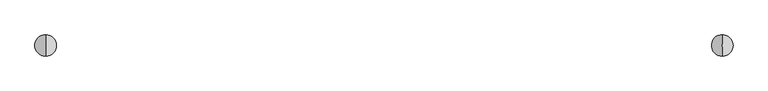
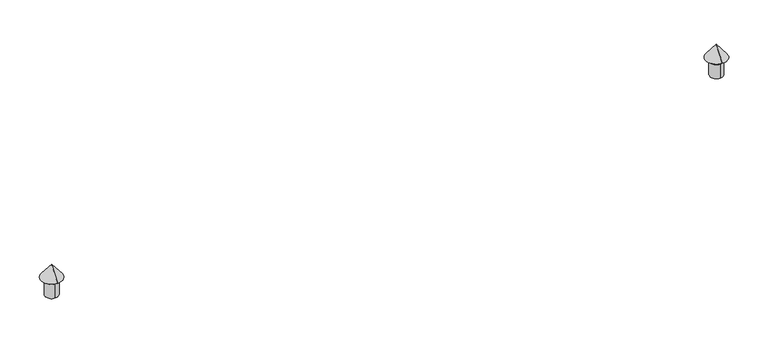
"""IFC4 building model written with IfcOpenShell, lengths in millimetres: proxy geometry."""

import ifcopenshell
import ifcopenshell.guid

model = None  # the IFC model being written
_history = None  # IfcOwnerHistory: only IFC2X3 demands one
_inside = {}  # id of a spatial element -> (the spatial element, [elements in it])
_under = {}  # id of a project, library or spatial element -> (it, [spatial elements below it])
_declared = {}  # id of a project -> (the project, [libraries it declares])
_typed = {}  # id of a type object -> (the type object, [elements of that type])
_made_of = {}  # id of a material, layer set ... -> (it, [elements and type objects made of it])


def new_model(schema):
    """Start an empty IFC model of exactly this schema.

    Asked for "IFC4X3", IfcOpenShell would pick the latest addendum, in which some entities
    have other attributes; the version numbers below select the first issue.
    IFC2X3 requires an IfcOwnerHistory on every rooted entity: one is made here for all.
    """
    global model, _history
    if schema == "IFC4X3":
        model = ifcopenshell.file(schema_version=(4, 3, 0, 0))
    else:
        model = ifcopenshell.file(schema=schema)
    _inside.clear()
    _under.clear()
    _declared.clear()
    _typed.clear()
    _made_of.clear()
    _history = None
    if model.schema == "IFC2X3":
        org = make("IfcOrganization", Name="unknown")
        user = make(
            "IfcPersonAndOrganization",
            ThePerson=make("IfcPerson", FamilyName="unknown"),
            TheOrganization=org,
        )
        app = make(
            "IfcApplication",
            ApplicationDeveloper=org,
            Version="unknown",
            ApplicationFullName="unknown",
            ApplicationIdentifier="unknown",
        )
        _history = make(
            "IfcOwnerHistory",
            OwningUser=user,
            OwningApplication=app,
            ChangeAction="ADDED",
            CreationDate=0,
        )
    return model


def make(cls, **values):
    """One entity of the class cls with the attributes given. An attribute that is None is left unset."""
    return model.create_entity(
        cls, **{name: value for name, value in values.items() if value is not None}
    )


def rooted(cls, **values):
    """An entity with a GlobalId (a new one), such as an element, a storey or a relation."""
    return make(cls, GlobalId=ifcopenshell.guid.new(), OwnerHistory=_history, **values)


def si_unit(unit_type, name, prefix=None):
    """IfcSIUnit, for example si_unit("LENGTHUNIT", "METRE", prefix="MILLI")."""
    return make("IfcSIUnit", UnitType=unit_type, Prefix=prefix, Name=name)


def assignment(units):
    """IfcUnitAssignment: the units of a project."""
    return None if units is None else make("IfcUnitAssignment", Units=units)


def point(xyz):
    """IfcCartesianPoint."""
    return None if xyz is None else make("IfcCartesianPoint", Coordinates=xyz)


def direction(xyz):
    """IfcDirection."""
    return None if xyz is None else make("IfcDirection", DirectionRatios=xyz)


def frame(location, z_axis=None, x_axis=None):
    """IfcAxis2Placement3D, a coordinate frame: its origin and axes. An axis left out is left unset."""
    return make(
        "IfcAxis2Placement3D",
        Location=point(location),
        Axis=direction(z_axis),
        RefDirection=direction(x_axis),
    )


def origin():
    """The frame at (0, 0, 0) with its axes left unset."""
    return frame((0.0, 0.0, 0.0))


def place(relative_to, where):
    """IfcLocalPlacement: puts the frame where relative to a parent placement (None: the world)."""
    return make(
        "IfcLocalPlacement", PlacementRelTo=relative_to, RelativePlacement=where
    )


def context(
    kind, dimensions, precision=None, world=None, true_north=None, identifier=None
):
    """IfcGeometricRepresentationContext, for example the 3D "Model" context."""
    return make(
        "IfcGeometricRepresentationContext",
        ContextIdentifier=identifier,
        ContextType=kind,
        CoordinateSpaceDimension=dimensions,
        Precision=precision,
        WorldCoordinateSystem=world,
        TrueNorth=true_north,
    )


def project(units=None, contexts=None):
    """IfcProject with its units and contexts."""
    return rooted(
        "IfcProject",
        Name="project",
        RepresentationContexts=contexts,
        UnitsInContext=assignment(units),
    )


def spatial(cls, under=None, at=None, **own):
    """A site, building, storey or space (cls), placed at a placement, below another one or the project."""
    s = rooted(cls, ObjectPlacement=at, **own)
    if under is not None:
        _under.setdefault(under.id(), (under, []))[1].append(s)
    return s


def polyline(points):
    """IfcPolyline through the points."""
    return make("IfcPolyline", Points=[point(p) for p in points])


def circle_curve(where, radius):
    """IfcCircle in the frame where."""
    return make("IfcCircle", Position=where, Radius=radius)


def shape(context_of_items, identifier, shape_type, items):
    """IfcShapeRepresentation: the items that make up one representation, for example the "Body"."""
    return make(
        "IfcShapeRepresentation",
        ContextOfItems=context_of_items,
        RepresentationIdentifier=identifier,
        RepresentationType=shape_type,
        Items=items,
    )


def source(mapping_origin, context_of_items, identifier, shape_type, items):
    """IfcRepresentationMap: a shape defined once, which mapped items show again and again."""
    return make(
        "IfcRepresentationMap",
        MappingOrigin=mapping_origin,
        MappedRepresentation=shape(context_of_items, identifier, shape_type, items),
    )


def transform(
    local_origin,
    x_axis=None,
    y_axis=None,
    z_axis=None,
    scale=None,
    scale2=None,
    scale3=None,
    uniform=True,
):
    """IfcCartesianTransformationOperator3D, or its non-uniform kind. x_axis, y_axis, z_axis: its Axis1, 2, 3."""
    if uniform:
        return make(
            "IfcCartesianTransformationOperator3D",
            Axis1=direction(x_axis),
            Axis2=direction(y_axis),
            LocalOrigin=point(local_origin),
            Scale=scale,
            Axis3=direction(z_axis),
        )
    return make(
        "IfcCartesianTransformationOperator3DnonUniform",
        Axis1=direction(x_axis),
        Axis2=direction(y_axis),
        LocalOrigin=point(local_origin),
        Scale=scale,
        Axis3=direction(z_axis),
        Scale2=scale2,
        Scale3=scale3,
    )


def mapped(mapping_source, mapping_target):
    """IfcMappedItem: shows the shape of a source again, moved by a transform."""
    return make(
        "IfcMappedItem", MappingSource=mapping_source, MappingTarget=mapping_target
    )


def made_of(thing, what):
    """Note that an element or type object is made of a material, layer set ...; save() writes the relation."""
    if what is not None:
        _made_of.setdefault(what.id(), (what, []))[1].append(thing)
    return thing


def element(
    cls,
    number,
    at=None,
    inside=None,
    cuts=None,
    type_object=None,
    material=None,
    context=None,
    identifier="Body",
    shape_type=None,
    held_by="IfcProductDefinitionShape",
    body=None,
    shapes=None,
    **own,
):
    """One element of the class cls, such as IfcWall. Its Tag is "e" and its number.

    at: its placement. inside: the storey or other place that contains it. cuts: it is an
    opening in that element (IfcRelVoidsElement). A single representation is given by context,
    identifier, shape_type and body (its items); several are given by shapes. held_by: the class
    of the entity that holds the representations. save() writes the other relations.
    """
    e = rooted(cls, Tag="e%d" % number, ObjectPlacement=at, **own)
    if body is not None:
        shapes = [shape(context, identifier, shape_type, body)]
    if shapes is not None:
        e.Representation = make(held_by, Representations=shapes)
    if inside is not None:
        _inside.setdefault(inside.id(), (inside, []))[1].append(e)
    if cuts is not None:
        rooted(
            "IfcRelVoidsElement", RelatingBuildingElement=cuts, RelatedOpeningElement=e
        )
    if type_object is not None:
        _typed.setdefault(type_object.id(), (type_object, []))[1].append(e)
    return made_of(e, material)


def aggregate(whole, parts):
    """IfcRelAggregates: a whole, such as a stair, and the parts it consists of."""
    return rooted("IfcRelAggregates", RelatingObject=whole, RelatedObjects=parts)


def save(model, path):
    """Write the relations noted so far, then the file.

    IfcRelAggregates (storeys below a building ...), IfcRelContainedInSpatialStructure (elements
    in a storey), IfcRelDefinesByType, IfcRelAssociatesMaterial and IfcRelDeclares: one each for
    every whole, place, type object, material and project.
    """
    for whole, parts in _under.values():
        aggregate(whole, parts)
    for where, things in _inside.values():
        rooted(
            "IfcRelContainedInSpatialStructure",
            RelatedElements=things,
            RelatingStructure=where,
        )
    for kind, things in _typed.values():
        rooted("IfcRelDefinesByType", RelatedObjects=things, RelatingType=kind)
    for what, things in _made_of.values():
        rooted("IfcRelAssociatesMaterial", RelatedObjects=things, RelatingMaterial=what)
    for by, libraries in _declared.values():
        rooted("IfcRelDeclares", RelatingContext=by, RelatedDefinitions=libraries)
    model.write(path)


def plane_surface(at):
    """IfcPlane: the flat surface through the origin of the frame at, square to its z axis."""
    return make("IfcPlane", Position=at)


def cylinder_surface(at, radius):
    """IfcCylindricalSurface: all points at the distance radius from the z axis of the frame at."""
    return make("IfcCylindricalSurface", Position=at, Radius=radius)


def revolved_surface(curve, axis_point, axis_direction):
    """IfcSurfaceOfRevolution: the curve turned about the line through axis_point along axis_direction."""
    return make(
        "IfcSurfaceOfRevolution",
        SweptCurve=make("IfcArbitraryOpenProfileDef", ProfileType="CURVE", Curve=curve),
        AxisPosition=make("IfcAxis1Placement", Location=point(axis_point), Axis=direction(axis_direction)),
    )


def advanced_brep(points, edges, surfaces, faces):
    """IfcAdvancedBrep: a solid bounded by faces that lie on surfaces and meet in shared edges.

    An edge is (start, end): straight between two places in points (the first is 0);
    or (start, end, curve); or (start, end, curve, False) where it runs against its curve.
    A face is (place in surfaces, loops), or (place, loops, False) where it looks against
    its surface's normal. A loop lists edges by number (the first is 1), with a minus sign
    where the edge is run from its end to its start. The first loop is the outer one.
    """
    corners = [point(p) for p in points]
    vertices = [make("IfcVertexPoint", VertexGeometry=c) for c in corners]
    made = []
    for start, end, *more in edges:
        made.append(
            make(
                "IfcEdgeCurve",
                EdgeStart=vertices[start],
                EdgeEnd=vertices[end],
                EdgeGeometry=more[0] if more else make("IfcPolyline", Points=[corners[start], corners[end]]),
                SameSense=more[1] if len(more) > 1 else True,
            )
        )
    hull = []
    for where, loops, *sense in faces:
        bounds = []
        for j, loop in enumerate(loops):
            ring = [make("IfcOrientedEdge", EdgeElement=made[abs(k) - 1], Orientation=k > 0) for k in loop]
            bounds.append(
                make(
                    "IfcFaceOuterBound" if j == 0 else "IfcFaceBound",
                    Bound=make("IfcEdgeLoop", EdgeList=ring),
                    Orientation=True,
                )
            )
        hull.append(make("IfcAdvancedFace", Bounds=bounds, FaceSurface=surfaces[where], SameSense=sense[0] if sense else True))
    return make("IfcAdvancedBrep", Outer=make("IfcClosedShell", CfsFaces=hull))


def entourage_cdde1a2e(model_context):
    return source(origin(), model_context, "Body", "AdvancedBrep", [
        advanced_brep(
        [(10404.492215, -10465.6996164, 42000.0), (10404.492215, -10865.6996164, 42000.0), (10404.492215, -10865.6996164, 42460.0), (10404.492215, -10465.6996164, 42460.0), (10404.492215, -10485.6996164, 42000.0), (10404.492215, -10845.6996164, 42000.0), (10404.492215, -10485.6996164, 42460.0), (10404.492215, -10845.6996164, 42460.0)],
        [
            (0, 1, circle_curve(frame((10404.492215, -10665.6996164, 42000.0), z_axis=(0.0, 0.0, 1.0), x_axis=(0.0, -1.0, 0.0)), 200.0)),
            (1, 2),
            (2, 3, circle_curve(frame((10404.492215, -10665.6996164, 42460.0), z_axis=(0.0, 0.0, -1.0), x_axis=(0.0, -1.0, 0.0)), 200.0)),
            (3, 0),
            (1, 0, circle_curve(frame((10404.492215, -10665.6996164, 42000.0), z_axis=(0.0, 0.0, 1.0), x_axis=(0.0, -1.0, 0.0)), 200.0)),
            (3, 2, circle_curve(frame((10404.492215, -10665.6996164, 42460.0), z_axis=(0.0, 0.0, -1.0), x_axis=(0.0, -1.0, 0.0)), 200.0)),
            (4, 5, circle_curve(frame((10404.492215, -10665.6996164, 42000.0), z_axis=(0.0, 0.0, 1.0), x_axis=(0.0, -1.0, 0.0)), 180.0)),
            (5, 1),
            (0, 4),
            (5, 4, circle_curve(frame((10404.492215, -10665.6996164, 42000.0), z_axis=(0.0, 0.0, 1.0), x_axis=(0.0, -1.0, 0.0)), 180.0)),
            (6, 7, circle_curve(frame((10404.492215, -10665.6996164, 42460.0), z_axis=(0.0, 0.0, 1.0), x_axis=(0.0, -1.0, 0.0)), 180.0)),
            (7, 5),
            (4, 6),
            (7, 6, circle_curve(frame((10404.492215, -10665.6996164, 42460.0), z_axis=(0.0, 0.0, 1.0), x_axis=(0.0, -1.0, 0.0)), 180.0)),
            (2, 7),
            (6, 3),
        ],
        [
            cylinder_surface(frame((10404.492215, -10665.6996164, 42000.0), z_axis=(0.0, 0.0, -1.0), x_axis=(0.0, -1.0, 0.0)), 200.0),
            plane_surface(frame((10404.492215, -10665.6996164, 42000.0), z_axis=(0.0, 0.0, -1.0), x_axis=(0.0, -1.0, 0.0))),
            revolved_surface(polyline([(10404.492215, -10845.6996164, 42000.0), (10404.492215, -10845.6996164, 42460.0)]), (10404.492215, -10665.6996164, 42000.0), (0.0, 0.0, -1.0)),
            plane_surface(frame((10404.492215, -10665.6996164, 42460.0), z_axis=(0.0, 0.0, 1.0), x_axis=(0.0, -1.0, 0.0))),
        ],
        [
            (0, [[1, 2, 3, 4]]),
            (0, [[5, -4, 6, -2]]),
            (1, [[7, 8, -1, 9]]),
            (1, [[10, -9, -5, -8]]),
            (2, [[11, 12, -7, 13]]),
            (2, [[14, -13, -10, -12]]),
            (3, [[-3, 15, -11, 16]]),
            (3, [[-6, -16, -14, -15]]),
        ],
    ),
        advanced_brep(
        [(10404.492215, -10502.3674883, 42560.0), (10404.492215, -10829.0317445, 42560.0), (10404.492215, -10990.6996164, 42560.0), (10404.492215, -10340.6996164, 42560.0), (10404.492215, -10502.3674883, 42580.0), (10404.492215, -10829.0317445, 42580.0), (10404.492215, -10388.5124727, 42580.0), (10404.492215, -10942.8867601, 42580.0), (10404.492215, -10665.6996164, 42934.7833652), (10404.492215, -10665.6996164, 42975.9810305)],
        [
            (0, 1, circle_curve(frame((10404.492215, -10665.6996164, 42560.0), z_axis=(0.0, 0.0, 1.0), x_axis=(0.0, -1.0, 0.0)), 163.3321281)),
            (1, 2),
            (2, 3, circle_curve(frame((10404.492215, -10665.6996164, 42560.0), z_axis=(0.0, 0.0, -1.0), x_axis=(0.0, -1.0, 0.0)), 325.0)),
            (3, 0),
            (1, 0, circle_curve(frame((10404.492215, -10665.6996164, 42560.0), z_axis=(0.0, 0.0, 1.0), x_axis=(0.0, -1.0, 0.0)), 163.3321281)),
            (3, 2, circle_curve(frame((10404.492215, -10665.6996164, 42560.0), z_axis=(0.0, 0.0, -1.0), x_axis=(0.0, -1.0, 0.0)), 325.0)),
            (4, 5, circle_curve(frame((10404.492215, -10665.6996164, 42580.0), z_axis=(0.0, 0.0, 1.0), x_axis=(0.0, -1.0, 0.0)), 163.3321281)),
            (5, 1),
            (0, 4),
            (5, 4, circle_curve(frame((10404.492215, -10665.6996164, 42580.0), z_axis=(0.0, 0.0, 1.0), x_axis=(0.0, -1.0, 0.0)), 163.3321281)),
            (6, 7, circle_curve(frame((10404.492215, -10665.6996164, 42580.0), z_axis=(0.0, 0.0, 1.0), x_axis=(0.0, -1.0, 0.0)), 277.1871437)),
            (7, 5),
            (4, 6),
            (7, 6, circle_curve(frame((10404.492215, -10665.6996164, 42580.0), z_axis=(0.0, 0.0, 1.0), x_axis=(0.0, -1.0, 0.0)), 277.1871437)),
            (8, 7),
            (6, 8),
            (2, 9),
            (9, 3),
        ],
        [
            plane_surface(frame((10404.492215, -10665.6996164, 42560.0), z_axis=(0.0, 0.0, -1.0), x_axis=(0.0, -1.0, 0.0))),
            revolved_surface(polyline([(10404.492215, -10829.0317445, 42560.0), (10404.492215, -10829.0317445, 42580.0)]), (10404.492215, -10665.6996164, 42000.0), (0.0, 0.0, -1.0)),
            plane_surface(frame((10404.492215, -10665.6996164, 42580.0), z_axis=(0.0, 0.0, 1.0), x_axis=(0.0, -1.0, 0.0))),
            revolved_surface(polyline([(10404.492215, -10942.8867601, 42580.0), (10404.492215, -10665.6996164, 42934.7833652)]), (10404.492215, -10665.6996164, 42000.0), (0.0, 0.0, -1.0)),
            revolved_surface(polyline([(10404.492215, -10665.6996164, 42975.9810305), (10404.492215, -10990.6996164, 42560.0)]), (10404.492215, -10665.6996164, 42000.0), (0.0, 0.0, -1.0)),
        ],
        [
            (0, [[1, 2, 3, 4]]),
            (0, [[5, -4, 6, -2]]),
            (1, [[7, 8, -1, 9]]),
            (1, [[10, -9, -5, -8]]),
            (2, [[11, 12, -7, 13]]),
            (2, [[14, -13, -10, -12]]),
            (3, [[15, -11, 16]]),
            (3, [[-16, -14, -15]]),
            (4, [[-3, 17, 18]]),
            (4, [[-6, -18, -17]]),
        ],
    ),
        advanced_brep(
        [(-9995.507785, -10465.6996164, 42000.0), (-9995.507785, -10865.6996164, 42000.0), (-9995.507785, -10865.6996164, 42460.0), (-9995.507785, -10465.6996164, 42460.0), (-9995.507785, -10485.6996164, 42000.0), (-9995.507785, -10845.6996164, 42000.0), (-9995.507785, -10485.6996164, 42460.0), (-9995.507785, -10845.6996164, 42460.0)],
        [
            (0, 1, circle_curve(frame((-9995.507785, -10665.6996164, 42000.0), z_axis=(0.0, 0.0, 1.0), x_axis=(0.0, -1.0, 0.0)), 200.0)),
            (1, 2),
            (2, 3, circle_curve(frame((-9995.507785, -10665.6996164, 42460.0), z_axis=(0.0, 0.0, -1.0), x_axis=(0.0, -1.0, 0.0)), 200.0)),
            (3, 0),
            (1, 0, circle_curve(frame((-9995.507785, -10665.6996164, 42000.0), z_axis=(0.0, 0.0, 1.0), x_axis=(0.0, -1.0, 0.0)), 200.0)),
            (3, 2, circle_curve(frame((-9995.507785, -10665.6996164, 42460.0), z_axis=(0.0, 0.0, -1.0), x_axis=(0.0, -1.0, 0.0)), 200.0)),
            (4, 5, circle_curve(frame((-9995.507785, -10665.6996164, 42000.0), z_axis=(0.0, 0.0, 1.0), x_axis=(0.0, -1.0, 0.0)), 180.0)),
            (5, 1),
            (0, 4),
            (5, 4, circle_curve(frame((-9995.507785, -10665.6996164, 42000.0), z_axis=(0.0, 0.0, 1.0), x_axis=(0.0, -1.0, 0.0)), 180.0)),
            (6, 7, circle_curve(frame((-9995.507785, -10665.6996164, 42460.0), z_axis=(0.0, 0.0, 1.0), x_axis=(0.0, -1.0, 0.0)), 180.0)),
            (7, 5),
            (4, 6),
            (7, 6, circle_curve(frame((-9995.507785, -10665.6996164, 42460.0), z_axis=(0.0, 0.0, 1.0), x_axis=(0.0, -1.0, 0.0)), 180.0)),
            (2, 7),
            (6, 3),
        ],
        [
            cylinder_surface(frame((-9995.507785, -10665.6996164, 42000.0), z_axis=(0.0, 0.0, -1.0), x_axis=(0.0, -1.0, 0.0)), 200.0),
            plane_surface(frame((-9995.507785, -10665.6996164, 42000.0), z_axis=(0.0, 0.0, -1.0), x_axis=(0.0, -1.0, 0.0))),
            revolved_surface(polyline([(-9995.507785, -10845.6996164, 42000.0), (-9995.507785, -10845.6996164, 42460.0)]), (-9995.507785, -10665.6996164, 42000.0), (0.0, 0.0, -1.0)),
            plane_surface(frame((-9995.507785, -10665.6996164, 42460.0), z_axis=(0.0, 0.0, 1.0), x_axis=(0.0, -1.0, 0.0))),
        ],
        [
            (0, [[1, 2, 3, 4]]),
            (0, [[5, -4, 6, -2]]),
            (1, [[7, 8, -1, 9]]),
            (1, [[10, -9, -5, -8]]),
            (2, [[11, 12, -7, 13]]),
            (2, [[14, -13, -10, -12]]),
            (3, [[-3, 15, -11, 16]]),
            (3, [[-6, -16, -14, -15]]),
        ],
    ),
        advanced_brep(
        [(-9995.507785, -10502.3674883, 42560.0), (-9995.507785, -10829.0317445, 42560.0), (-9995.507785, -10990.6996164, 42560.0), (-9995.507785, -10340.6996164, 42560.0), (-9995.507785, -10502.3674883, 42580.0), (-9995.507785, -10829.0317445, 42580.0), (-9995.507785, -10388.5124727, 42580.0), (-9995.507785, -10942.8867601, 42580.0), (-9995.507785, -10665.6996164, 42934.7833652), (-9995.507785, -10665.6996164, 42975.9810305)],
        [
            (0, 1, circle_curve(frame((-9995.507785, -10665.6996164, 42560.0), z_axis=(0.0, 0.0, 1.0), x_axis=(0.0, -1.0, 0.0)), 163.3321281)),
            (1, 2),
            (2, 3, circle_curve(frame((-9995.507785, -10665.6996164, 42560.0), z_axis=(0.0, 0.0, -1.0), x_axis=(0.0, -1.0, 0.0)), 325.0)),
            (3, 0),
            (1, 0, circle_curve(frame((-9995.507785, -10665.6996164, 42560.0), z_axis=(0.0, 0.0, 1.0), x_axis=(0.0, -1.0, 0.0)), 163.3321281)),
            (3, 2, circle_curve(frame((-9995.507785, -10665.6996164, 42560.0), z_axis=(0.0, 0.0, -1.0), x_axis=(0.0, -1.0, 0.0)), 325.0)),
            (4, 5, circle_curve(frame((-9995.507785, -10665.6996164, 42580.0), z_axis=(0.0, 0.0, 1.0), x_axis=(0.0, -1.0, 0.0)), 163.3321281)),
            (5, 1),
            (0, 4),
            (5, 4, circle_curve(frame((-9995.507785, -10665.6996164, 42580.0), z_axis=(0.0, 0.0, 1.0), x_axis=(0.0, -1.0, 0.0)), 163.3321281)),
            (6, 7, circle_curve(frame((-9995.507785, -10665.6996164, 42580.0), z_axis=(0.0, 0.0, 1.0), x_axis=(0.0, -1.0, 0.0)), 277.1871437)),
            (7, 5),
            (4, 6),
            (7, 6, circle_curve(frame((-9995.507785, -10665.6996164, 42580.0), z_axis=(0.0, 0.0, 1.0), x_axis=(0.0, -1.0, 0.0)), 277.1871437)),
            (8, 7),
            (6, 8),
            (2, 9),
            (9, 3),
        ],
        [
            plane_surface(frame((-9995.507785, -10665.6996164, 42560.0), z_axis=(0.0, 0.0, -1.0), x_axis=(0.0, -1.0, 0.0))),
            revolved_surface(polyline([(-9995.507785, -10829.0317445, 42560.0), (-9995.507785, -10829.0317445, 42580.0)]), (-9995.507785, -10665.6996164, 42000.0), (0.0, 0.0, -1.0)),
            plane_surface(frame((-9995.507785, -10665.6996164, 42580.0), z_axis=(0.0, 0.0, 1.0), x_axis=(0.0, -1.0, 0.0))),
            revolved_surface(polyline([(-9995.507785, -10942.8867601, 42580.0), (-9995.507785, -10665.6996164, 42934.7833652)]), (-9995.507785, -10665.6996164, 42000.0), (0.0, 0.0, -1.0)),
            revolved_surface(polyline([(-9995.507785, -10665.6996164, 42975.9810305), (-9995.507785, -10990.6996164, 42560.0)]), (-9995.507785, -10665.6996164, 42000.0), (0.0, 0.0, -1.0)),
        ],
        [
            (0, [[1, 2, 3, 4]]),
            (0, [[5, -4, 6, -2]]),
            (1, [[7, 8, -1, 9]]),
            (1, [[10, -9, -5, -8]]),
            (2, [[11, 12, -7, 13]]),
            (2, [[14, -13, -10, -12]]),
            (3, [[15, -11, 16]]),
            (3, [[-16, -14, -15]]),
            (4, [[-3, 17, 18]]),
            (4, [[-6, -18, -17]]),
        ],
    ),
    ])


if __name__ == "__main__":
    model = new_model("IFC4")
    model_context = context("Model", 3, world=origin())
    ifc_project = project(units=[si_unit("LENGTHUNIT", "METRE", prefix="MILLI")], contexts=[model_context])
    site = spatial("IfcSite", under=ifc_project)
    building = spatial("IfcBuilding", under=site)
    placement = place(None, origin())
    entourage_shape = entourage_cdde1a2e(model_context)
    element("IfcBuildingElementProxy", 1, Name="Entourage", at=placement, inside=building, context=model_context, shape_type="MappedRepresentation", body=[
        mapped(entourage_shape, transform((0.0, 0.0, 0.0), x_axis=(1.0, 0.0, 0.0), y_axis=(0.0, 1.0, 0.0), z_axis=(0.0, 0.0, 1.0))),
    ])
    save(model, "model.ifc")
